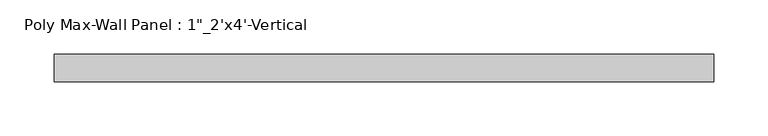
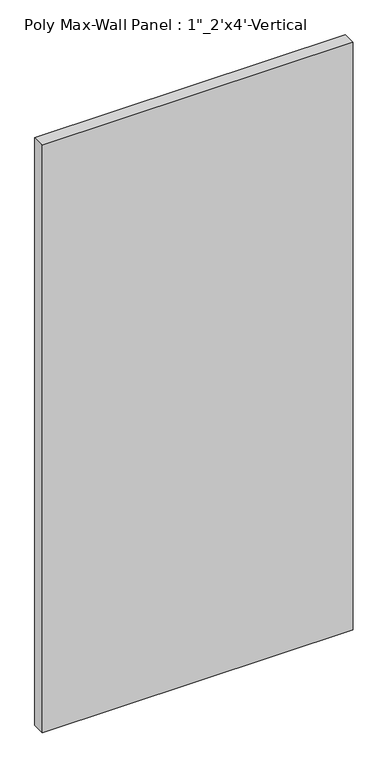
"""IFC4 building model written with IfcOpenShell, lengths in millimetres: proxy geometry."""

from ifc_helpers import new_model, si_unit, frame, origin, place, context, project, spatial, polyline, outline, extrude, source, transform, mapped, element, save


def proxy_ec8e8ca7(model_context):
    return source(origin(), model_context, "Body", "SweptSolid", [
        extrude(outline(polyline([(508.0, 101.6), (-101.6, 101.6), (-101.6, 127.0), (508.0, 127.0), (508.0, 101.6)])), frame((0.0, 0.0, 1219.2), z_axis=(0.0, 0.0, 1.0), x_axis=(1.0, 0.0, 0.0)), (0.0, 0.0, 1.0), 1219.2),
    ])


if __name__ == "__main__":
    model = new_model("IFC4")
    model_context = context("Model", 3, world=origin())
    ifc_project = project(units=[si_unit("LENGTHUNIT", "METRE", prefix="MILLI")], contexts=[model_context])
    site = spatial("IfcSite", under=ifc_project)
    building = spatial("IfcBuilding", under=site)
    placement = place(None, origin())
    proxy_shape = proxy_ec8e8ca7(model_context)
    element("IfcBuildingElementProxy", 1, Name="Poly Max-Wall Panel : 1\"_2'x4'-Vertical", ObjectType="Poly Max-Wall Panel : 1\"_2'x4'-Vertical", at=placement, inside=building, context=model_context, shape_type="MappedRepresentation", body=[
        mapped(proxy_shape, transform((0.0, 0.0, 0.0), x_axis=(1.0, 0.0, 0.0), y_axis=(0.0, 1.0, 0.0), z_axis=(0.0, 0.0, 1.0))),
    ])
    save(model, "model.ifc")
